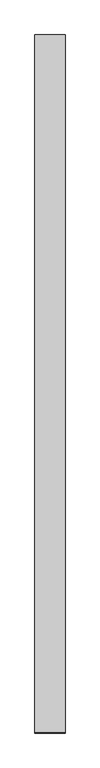
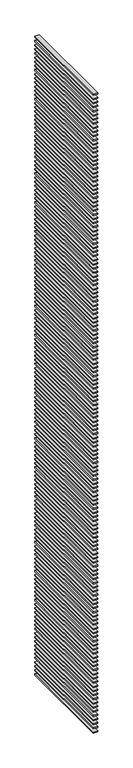
"""IFC4 building model written with IfcOpenShell, lengths in millimetres: proxy geometry."""

from ifc_helpers import new_model, si_unit, frame, origin, place, context, project, spatial, polyline, outline, extrude, source, transform, mapped, element, save


def generic_models_4e550ed5(model_context):
    return source(origin(), model_context, "Body", "SweptSolid", [
        extrude(outline(polyline([(-100.0, -4625.0), (-300.0, -4625.0), (-300.0, 0.0), (-100.0, 0.0), (-100.0, -4625.0)])), frame((0.0, 0.0, 30975.0), z_axis=(0.0, 0.0, 1.0), x_axis=(1.0, 0.0, 0.0)), (0.0, 0.0, 1.0), 50.0),
        extrude(outline(polyline([(-100.0, -4625.0), (-300.0, -4625.0), (-300.0, 0.0), (-100.0, 0.0), (-100.0, -4625.0)])), frame((0.0, 0.0, 30775.0), z_axis=(0.0, 0.0, 1.0), x_axis=(1.0, 0.0, 0.0)), (0.0, 0.0, 1.0), 50.0),
        extrude(outline(polyline([(-100.0, -4625.0), (-300.0, -4625.0), (-300.0, 0.0), (-100.0, 0.0), (-100.0, -4625.0)])), frame((0.0, 0.0, 30575.0), z_axis=(0.0, 0.0, 1.0), x_axis=(1.0, 0.0, 0.0)), (0.0, 0.0, 1.0), 50.0),
        extrude(outline(polyline([(-100.0, -4625.0), (-300.0, -4625.0), (-300.0, 0.0), (-100.0, 0.0), (-100.0, -4625.0)])), frame((0.0, 0.0, 30375.0), z_axis=(0.0, 0.0, 1.0), x_axis=(1.0, 0.0, 0.0)), (0.0, 0.0, 1.0), 50.0),
        extrude(outline(polyline([(-100.0, -4625.0), (-300.0, -4625.0), (-300.0, 0.0), (-100.0, 0.0), (-100.0, -4625.0)])), frame((0.0, 0.0, 30175.0), z_axis=(0.0, 0.0, 1.0), x_axis=(1.0, 0.0, 0.0)), (0.0, 0.0, 1.0), 50.0),
        extrude(outline(polyline([(-100.0, -4625.0), (-300.0, -4625.0), (-300.0, 0.0), (-100.0, 0.0), (-100.0, -4625.0)])), frame((0.0, 0.0, 29975.0), z_axis=(0.0, 0.0, 1.0), x_axis=(1.0, 0.0, 0.0)), (0.0, 0.0, 1.0), 50.0),
        extrude(outline(polyline([(-100.0, -4625.0), (-300.0, -4625.0), (-300.0, 0.0), (-100.0, 0.0), (-100.0, -4625.0)])), frame((0.0, 0.0, 29775.0), z_axis=(0.0, 0.0, 1.0), x_axis=(1.0, 0.0, 0.0)), (0.0, 0.0, 1.0), 50.0),
        extrude(outline(polyline([(-100.0, -4625.0), (-300.0, -4625.0), (-300.0, 0.0), (-100.0, 0.0), (-100.0, -4625.0)])), frame((0.0, 0.0, 29575.0), z_axis=(0.0, 0.0, 1.0), x_axis=(1.0, 0.0, 0.0)), (0.0, 0.0, 1.0), 50.0),
        extrude(outline(polyline([(-100.0, -4625.0), (-300.0, -4625.0), (-300.0, 0.0), (-100.0, 0.0), (-100.0, -4625.0)])), frame((0.0, 0.0, 29375.0), z_axis=(0.0, 0.0, 1.0), x_axis=(1.0, 0.0, 0.0)), (0.0, 0.0, 1.0), 50.0),
        extrude(outline(polyline([(-100.0, -4625.0), (-300.0, -4625.0), (-300.0, 0.0), (-100.0, 0.0), (-100.0, -4625.0)])), frame((0.0, 0.0, 29175.0), z_axis=(0.0, 0.0, 1.0), x_axis=(1.0, 0.0, 0.0)), (0.0, 0.0, 1.0), 50.0),
        extrude(outline(polyline([(-100.0, -4625.0), (-300.0, -4625.0), (-300.0, 0.0), (-100.0, 0.0), (-100.0, -4625.0)])), frame((0.0, 0.0, 28975.0), z_axis=(0.0, 0.0, 1.0), x_axis=(1.0, 0.0, 0.0)), (0.0, 0.0, 1.0), 50.0),
        extrude(outline(polyline([(-100.0, -4625.0), (-300.0, -4625.0), (-300.0, 0.0), (-100.0, 0.0), (-100.0, -4625.0)])), frame((0.0, 0.0, 28775.0), z_axis=(0.0, 0.0, 1.0), x_axis=(1.0, 0.0, 0.0)), (0.0, 0.0, 1.0), 50.0),
        extrude(outline(polyline([(-100.0, -4625.0), (-300.0, -4625.0), (-300.0, 0.0), (-100.0, 0.0), (-100.0, -4625.0)])), frame((0.0, 0.0, 28575.0), z_axis=(0.0, 0.0, 1.0), x_axis=(1.0, 0.0, 0.0)), (0.0, 0.0, 1.0), 50.0),
        extrude(outline(polyline([(-100.0, -4625.0), (-300.0, -4625.0), (-300.0, 0.0), (-100.0, 0.0), (-100.0, -4625.0)])), frame((0.0, 0.0, 28375.0), z_axis=(0.0, 0.0, 1.0), x_axis=(1.0, 0.0, 0.0)), (0.0, 0.0, 1.0), 50.0),
        extrude(outline(polyline([(-100.0, -4625.0), (-300.0, -4625.0), (-300.0, 0.0), (-100.0, 0.0), (-100.0, -4625.0)])), frame((0.0, 0.0, 28175.0), z_axis=(0.0, 0.0, 1.0), x_axis=(1.0, 0.0, 0.0)), (0.0, 0.0, 1.0), 50.0),
        extrude(outline(polyline([(-100.0, -4625.0), (-300.0, -4625.0), (-300.0, 0.0), (-100.0, 0.0), (-100.0, -4625.0)])), frame((0.0, 0.0, 27975.0), z_axis=(0.0, 0.0, 1.0), x_axis=(1.0, 0.0, 0.0)), (0.0, 0.0, 1.0), 50.0),
        extrude(outline(polyline([(-100.0, -4625.0), (-300.0, -4625.0), (-300.0, 0.0), (-100.0, 0.0), (-100.0, -4625.0)])), frame((0.0, 0.0, 27775.0), z_axis=(0.0, 0.0, 1.0), x_axis=(1.0, 0.0, 0.0)), (0.0, 0.0, 1.0), 50.0),
        extrude(outline(polyline([(-100.0, -4625.0), (-300.0, -4625.0), (-300.0, 0.0), (-100.0, 0.0), (-100.0, -4625.0)])), frame((0.0, 0.0, 27575.0), z_axis=(0.0, 0.0, 1.0), x_axis=(1.0, 0.0, 0.0)), (0.0, 0.0, 1.0), 50.0),
        extrude(outline(polyline([(-100.0, -4625.0), (-300.0, -4625.0), (-300.0, 0.0), (-100.0, 0.0), (-100.0, -4625.0)])), frame((0.0, 0.0, 27375.0), z_axis=(0.0, 0.0, 1.0), x_axis=(1.0, 0.0, 0.0)), (0.0, 0.0, 1.0), 50.0),
        extrude(outline(polyline([(-100.0, -4625.0), (-300.0, -4625.0), (-300.0, 0.0), (-100.0, 0.0), (-100.0, -4625.0)])), frame((0.0, 0.0, 27175.0), z_axis=(0.0, 0.0, 1.0), x_axis=(1.0, 0.0, 0.0)), (0.0, 0.0, 1.0), 50.0),
        extrude(outline(polyline([(-100.0, -4625.0), (-300.0, -4625.0), (-300.0, 0.0), (-100.0, 0.0), (-100.0, -4625.0)])), frame((0.0, 0.0, 26975.0), z_axis=(0.0, 0.0, 1.0), x_axis=(1.0, 0.0, 0.0)), (0.0, 0.0, 1.0), 50.0),
        extrude(outline(polyline([(-100.0, -4625.0), (-300.0, -4625.0), (-300.0, 0.0), (-100.0, 0.0), (-100.0, -4625.0)])), frame((0.0, 0.0, 26775.0), z_axis=(0.0, 0.0, 1.0), x_axis=(1.0, 0.0, 0.0)), (0.0, 0.0, 1.0), 50.0),
        extrude(outline(polyline([(-100.0, -4625.0), (-300.0, -4625.0), (-300.0, 0.0), (-100.0, 0.0), (-100.0, -4625.0)])), frame((0.0, 0.0, 26575.0), z_axis=(0.0, 0.0, 1.0), x_axis=(1.0, 0.0, 0.0)), (0.0, 0.0, 1.0), 50.0),
        extrude(outline(polyline([(-100.0, -4625.0), (-300.0, -4625.0), (-300.0, 0.0), (-100.0, 0.0), (-100.0, -4625.0)])), frame((0.0, 0.0, 26375.0), z_axis=(0.0, 0.0, 1.0), x_axis=(1.0, 0.0, 0.0)), (0.0, 0.0, 1.0), 50.0),
        extrude(outline(polyline([(-100.0, -4625.0), (-300.0, -4625.0), (-300.0, 0.0), (-100.0, 0.0), (-100.0, -4625.0)])), frame((0.0, 0.0, 26175.0), z_axis=(0.0, 0.0, 1.0), x_axis=(1.0, 0.0, 0.0)), (0.0, 0.0, 1.0), 50.0),
        extrude(outline(polyline([(-100.0, -4625.0), (-300.0, -4625.0), (-300.0, 0.0), (-100.0, 0.0), (-100.0, -4625.0)])), frame((0.0, 0.0, 25975.0), z_axis=(0.0, 0.0, 1.0), x_axis=(1.0, 0.0, 0.0)), (0.0, 0.0, 1.0), 50.0),
        extrude(outline(polyline([(-100.0, -4625.0), (-300.0, -4625.0), (-300.0, 0.0), (-100.0, 0.0), (-100.0, -4625.0)])), frame((0.0, 0.0, 25775.0), z_axis=(0.0, 0.0, 1.0), x_axis=(1.0, 0.0, 0.0)), (0.0, 0.0, 1.0), 50.0),
        extrude(outline(polyline([(-100.0, -4625.0), (-300.0, -4625.0), (-300.0, 0.0), (-100.0, 0.0), (-100.0, -4625.0)])), frame((0.0, 0.0, 25575.0), z_axis=(0.0, 0.0, 1.0), x_axis=(1.0, 0.0, 0.0)), (0.0, 0.0, 1.0), 50.0),
        extrude(outline(polyline([(-100.0, -4625.0), (-300.0, -4625.0), (-300.0, 0.0), (-100.0, 0.0), (-100.0, -4625.0)])), frame((0.0, 0.0, 25375.0), z_axis=(0.0, 0.0, 1.0), x_axis=(1.0, 0.0, 0.0)), (0.0, 0.0, 1.0), 50.0),
        extrude(outline(polyline([(-100.0, -4625.0), (-300.0, -4625.0), (-300.0, 0.0), (-100.0, 0.0), (-100.0, -4625.0)])), frame((0.0, 0.0, 25175.0), z_axis=(0.0, 0.0, 1.0), x_axis=(1.0, 0.0, 0.0)), (0.0, 0.0, 1.0), 50.0),
        extrude(outline(polyline([(-100.0, -4625.0), (-300.0, -4625.0), (-300.0, 0.0), (-100.0, 0.0), (-100.0, -4625.0)])), frame((0.0, 0.0, 24975.0), z_axis=(0.0, 0.0, 1.0), x_axis=(1.0, 0.0, 0.0)), (0.0, 0.0, 1.0), 50.0),
        extrude(outline(polyline([(-100.0, -4625.0), (-300.0, -4625.0), (-300.0, 0.0), (-100.0, 0.0), (-100.0, -4625.0)])), frame((0.0, 0.0, 24775.0), z_axis=(0.0, 0.0, 1.0), x_axis=(1.0, 0.0, 0.0)), (0.0, 0.0, 1.0), 50.0),
        extrude(outline(polyline([(-100.0, -4625.0), (-300.0, -4625.0), (-300.0, 0.0), (-100.0, 0.0), (-100.0, -4625.0)])), frame((0.0, 0.0, 24575.0), z_axis=(0.0, 0.0, 1.0), x_axis=(1.0, 0.0, 0.0)), (0.0, 0.0, 1.0), 50.0),
        extrude(outline(polyline([(-100.0, -4625.0), (-300.0, -4625.0), (-300.0, 0.0), (-100.0, 0.0), (-100.0, -4625.0)])), frame((0.0, 0.0, 24375.0), z_axis=(0.0, 0.0, 1.0), x_axis=(1.0, 0.0, 0.0)), (0.0, 0.0, 1.0), 50.0),
        extrude(outline(polyline([(-100.0, -4625.0), (-300.0, -4625.0), (-300.0, 0.0), (-100.0, 0.0), (-100.0, -4625.0)])), frame((0.0, 0.0, 24175.0), z_axis=(0.0, 0.0, 1.0), x_axis=(1.0, 0.0, 0.0)), (0.0, 0.0, 1.0), 50.0),
        extrude(outline(polyline([(-100.0, -4625.0), (-300.0, -4625.0), (-300.0, 0.0), (-100.0, 0.0), (-100.0, -4625.0)])), frame((0.0, 0.0, 23975.0), z_axis=(0.0, 0.0, 1.0), x_axis=(1.0, 0.0, 0.0)), (0.0, 0.0, 1.0), 50.0),
        extrude(outline(polyline([(-100.0, -4625.0), (-300.0, -4625.0), (-300.0, 0.0), (-100.0, 0.0), (-100.0, -4625.0)])), frame((0.0, 0.0, 23775.0), z_axis=(0.0, 0.0, 1.0), x_axis=(1.0, 0.0, 0.0)), (0.0, 0.0, 1.0), 50.0),
        extrude(outline(polyline([(-100.0, -4625.0), (-300.0, -4625.0), (-300.0, 0.0), (-100.0, 0.0), (-100.0, -4625.0)])), frame((0.0, 0.0, 23575.0), z_axis=(0.0, 0.0, 1.0), x_axis=(1.0, 0.0, 0.0)), (0.0, 0.0, 1.0), 50.0),
        extrude(outline(polyline([(-100.0, -4625.0), (-300.0, -4625.0), (-300.0, 0.0), (-100.0, 0.0), (-100.0, -4625.0)])), frame((0.0, 0.0, 23375.0), z_axis=(0.0, 0.0, 1.0), x_axis=(1.0, 0.0, 0.0)), (0.0, 0.0, 1.0), 50.0),
        extrude(outline(polyline([(-100.0, -4625.0), (-300.0, -4625.0), (-300.0, 0.0), (-100.0, 0.0), (-100.0, -4625.0)])), frame((0.0, 0.0, 23175.0), z_axis=(0.0, 0.0, 1.0), x_axis=(1.0, 0.0, 0.0)), (0.0, 0.0, 1.0), 50.0),
        extrude(outline(polyline([(-100.0, -4625.0), (-300.0, -4625.0), (-300.0, 0.0), (-100.0, 0.0), (-100.0, -4625.0)])), frame((0.0, 0.0, 22975.0), z_axis=(0.0, 0.0, 1.0), x_axis=(1.0, 0.0, 0.0)), (0.0, 0.0, 1.0), 50.0),
        extrude(outline(polyline([(-100.0, -4625.0), (-300.0, -4625.0), (-300.0, 0.0), (-100.0, 0.0), (-100.0, -4625.0)])), frame((0.0, 0.0, 22775.0), z_axis=(0.0, 0.0, 1.0), x_axis=(1.0, 0.0, 0.0)), (0.0, 0.0, 1.0), 50.0),
        extrude(outline(polyline([(-100.0, -4625.0), (-300.0, -4625.0), (-300.0, 0.0), (-100.0, 0.0), (-100.0, -4625.0)])), frame((0.0, 0.0, 22575.0), z_axis=(0.0, 0.0, 1.0), x_axis=(1.0, 0.0, 0.0)), (0.0, 0.0, 1.0), 50.0),
        extrude(outline(polyline([(-100.0, -4625.0), (-300.0, -4625.0), (-300.0, 0.0), (-100.0, 0.0), (-100.0, -4625.0)])), frame((0.0, 0.0, 22375.0), z_axis=(0.0, 0.0, 1.0), x_axis=(1.0, 0.0, 0.0)), (0.0, 0.0, 1.0), 50.0),
        extrude(outline(polyline([(-100.0, -4625.0), (-300.0, -4625.0), (-300.0, 0.0), (-100.0, 0.0), (-100.0, -4625.0)])), frame((0.0, 0.0, 22175.0), z_axis=(0.0, 0.0, 1.0), x_axis=(1.0, 0.0, 0.0)), (0.0, 0.0, 1.0), 50.0),
        extrude(outline(polyline([(-100.0, -4625.0), (-300.0, -4625.0), (-300.0, 0.0), (-100.0, 0.0), (-100.0, -4625.0)])), frame((0.0, 0.0, 21975.0), z_axis=(0.0, 0.0, 1.0), x_axis=(1.0, 0.0, 0.0)), (0.0, 0.0, 1.0), 50.0),
        extrude(outline(polyline([(-100.0, -4625.0), (-300.0, -4625.0), (-300.0, 0.0), (-100.0, 0.0), (-100.0, -4625.0)])), frame((0.0, 0.0, 21775.0), z_axis=(0.0, 0.0, 1.0), x_axis=(1.0, 0.0, 0.0)), (0.0, 0.0, 1.0), 50.0),
        extrude(outline(polyline([(-100.0, -4625.0), (-300.0, -4625.0), (-300.0, 0.0), (-100.0, 0.0), (-100.0, -4625.0)])), frame((0.0, 0.0, 21575.0), z_axis=(0.0, 0.0, 1.0), x_axis=(1.0, 0.0, 0.0)), (0.0, 0.0, 1.0), 50.0),
        extrude(outline(polyline([(-100.0, -4625.0), (-300.0, -4625.0), (-300.0, 0.0), (-100.0, 0.0), (-100.0, -4625.0)])), frame((0.0, 0.0, 21375.0), z_axis=(0.0, 0.0, 1.0), x_axis=(1.0, 0.0, 0.0)), (0.0, 0.0, 1.0), 50.0),
        extrude(outline(polyline([(-100.0, -4625.0), (-300.0, -4625.0), (-300.0, 0.0), (-100.0, 0.0), (-100.0, -4625.0)])), frame((0.0, 0.0, 21175.0), z_axis=(0.0, 0.0, 1.0), x_axis=(1.0, 0.0, 0.0)), (0.0, 0.0, 1.0), 50.0),
        extrude(outline(polyline([(-100.0, -4625.0), (-300.0, -4625.0), (-300.0, 0.0), (-100.0, 0.0), (-100.0, -4625.0)])), frame((0.0, 0.0, 20975.0), z_axis=(0.0, 0.0, 1.0), x_axis=(1.0, 0.0, 0.0)), (0.0, 0.0, 1.0), 50.0),
        extrude(outline(polyline([(-100.0, -4625.0), (-300.0, -4625.0), (-300.0, 0.0), (-100.0, 0.0), (-100.0, -4625.0)])), frame((0.0, 0.0, 20775.0), z_axis=(0.0, 0.0, 1.0), x_axis=(1.0, 0.0, 0.0)), (0.0, 0.0, 1.0), 50.0),
        extrude(outline(polyline([(-100.0, -4625.0), (-300.0, -4625.0), (-300.0, 0.0), (-100.0, 0.0), (-100.0, -4625.0)])), frame((0.0, 0.0, 20575.0), z_axis=(0.0, 0.0, 1.0), x_axis=(1.0, 0.0, 0.0)), (0.0, 0.0, 1.0), 50.0),
        extrude(outline(polyline([(-100.0, -4625.0), (-300.0, -4625.0), (-300.0, 0.0), (-100.0, 0.0), (-100.0, -4625.0)])), frame((0.0, 0.0, 20375.0), z_axis=(0.0, 0.0, 1.0), x_axis=(1.0, 0.0, 0.0)), (0.0, 0.0, 1.0), 50.0),
        extrude(outline(polyline([(-100.0, -4625.0), (-300.0, -4625.0), (-300.0, 0.0), (-100.0, 0.0), (-100.0, -4625.0)])), frame((0.0, 0.0, 20175.0), z_axis=(0.0, 0.0, 1.0), x_axis=(1.0, 0.0, 0.0)), (0.0, 0.0, 1.0), 50.0),
        extrude(outline(polyline([(-100.0, -4625.0), (-300.0, -4625.0), (-300.0, 0.0), (-100.0, 0.0), (-100.0, -4625.0)])), frame((0.0, 0.0, 19975.0), z_axis=(0.0, 0.0, 1.0), x_axis=(1.0, 0.0, 0.0)), (0.0, 0.0, 1.0), 50.0),
        extrude(outline(polyline([(-100.0, -4625.0), (-300.0, -4625.0), (-300.0, 0.0), (-100.0, 0.0), (-100.0, -4625.0)])), frame((0.0, 0.0, 19775.0), z_axis=(0.0, 0.0, 1.0), x_axis=(1.0, 0.0, 0.0)), (0.0, 0.0, 1.0), 50.0),
        extrude(outline(polyline([(-100.0, -4625.0), (-300.0, -4625.0), (-300.0, 0.0), (-100.0, 0.0), (-100.0, -4625.0)])), frame((0.0, 0.0, 19575.0), z_axis=(0.0, 0.0, 1.0), x_axis=(1.0, 0.0, 0.0)), (0.0, 0.0, 1.0), 50.0),
        extrude(outline(polyline([(-100.0, -4625.0), (-300.0, -4625.0), (-300.0, 0.0), (-100.0, 0.0), (-100.0, -4625.0)])), frame((0.0, 0.0, 19375.0), z_axis=(0.0, 0.0, 1.0), x_axis=(1.0, 0.0, 0.0)), (0.0, 0.0, 1.0), 50.0),
        extrude(outline(polyline([(-100.0, -4625.0), (-300.0, -4625.0), (-300.0, 0.0), (-100.0, 0.0), (-100.0, -4625.0)])), frame((0.0, 0.0, 19175.0), z_axis=(0.0, 0.0, 1.0), x_axis=(1.0, 0.0, 0.0)), (0.0, 0.0, 1.0), 50.0),
        extrude(outline(polyline([(-100.0, -4625.0), (-300.0, -4625.0), (-300.0, 0.0), (-100.0, 0.0), (-100.0, -4625.0)])), frame((0.0, 0.0, 18975.0), z_axis=(0.0, 0.0, 1.0), x_axis=(1.0, 0.0, 0.0)), (0.0, 0.0, 1.0), 50.0),
        extrude(outline(polyline([(-100.0, -4625.0), (-300.0, -4625.0), (-300.0, 0.0), (-100.0, 0.0), (-100.0, -4625.0)])), frame((0.0, 0.0, 18775.0), z_axis=(0.0, 0.0, 1.0), x_axis=(1.0, 0.0, 0.0)), (0.0, 0.0, 1.0), 50.0),
        extrude(outline(polyline([(-100.0, -4625.0), (-300.0, -4625.0), (-300.0, 0.0), (-100.0, 0.0), (-100.0, -4625.0)])), frame((0.0, 0.0, 18575.0), z_axis=(0.0, 0.0, 1.0), x_axis=(1.0, 0.0, 0.0)), (0.0, 0.0, 1.0), 50.0),
        extrude(outline(polyline([(-100.0, -4625.0), (-300.0, -4625.0), (-300.0, 0.0), (-100.0, 0.0), (-100.0, -4625.0)])), frame((0.0, 0.0, 18375.0), z_axis=(0.0, 0.0, 1.0), x_axis=(1.0, 0.0, 0.0)), (0.0, 0.0, 1.0), 50.0),
        extrude(outline(polyline([(-100.0, -4625.0), (-300.0, -4625.0), (-300.0, 0.0), (-100.0, 0.0), (-100.0, -4625.0)])), frame((0.0, 0.0, 18175.0), z_axis=(0.0, 0.0, 1.0), x_axis=(1.0, 0.0, 0.0)), (0.0, 0.0, 1.0), 50.0),
        extrude(outline(polyline([(-100.0, -4625.0), (-300.0, -4625.0), (-300.0, 0.0), (-100.0, 0.0), (-100.0, -4625.0)])), frame((0.0, 0.0, 17975.0), z_axis=(0.0, 0.0, 1.0), x_axis=(1.0, 0.0, 0.0)), (0.0, 0.0, 1.0), 50.0),
        extrude(outline(polyline([(-100.0, -4625.0), (-300.0, -4625.0), (-300.0, 0.0), (-100.0, 0.0), (-100.0, -4625.0)])), frame((0.0, 0.0, 17775.0), z_axis=(0.0, 0.0, 1.0), x_axis=(1.0, 0.0, 0.0)), (0.0, 0.0, 1.0), 50.0),
        extrude(outline(polyline([(-100.0, -4625.0), (-300.0, -4625.0), (-300.0, 0.0), (-100.0, 0.0), (-100.0, -4625.0)])), frame((0.0, 0.0, 17575.0), z_axis=(0.0, 0.0, 1.0), x_axis=(1.0, 0.0, 0.0)), (0.0, 0.0, 1.0), 50.0),
        extrude(outline(polyline([(-100.0, -4625.0), (-300.0, -4625.0), (-300.0, 0.0), (-100.0, 0.0), (-100.0, -4625.0)])), frame((0.0, 0.0, 17375.0), z_axis=(0.0, 0.0, 1.0), x_axis=(1.0, 0.0, 0.0)), (0.0, 0.0, 1.0), 50.0),
        extrude(outline(polyline([(-100.0, -4625.0), (-300.0, -4625.0), (-300.0, 0.0), (-100.0, 0.0), (-100.0, -4625.0)])), frame((0.0, 0.0, 17175.0), z_axis=(0.0, 0.0, 1.0), x_axis=(1.0, 0.0, 0.0)), (0.0, 0.0, 1.0), 50.0),
        extrude(outline(polyline([(-100.0, -4625.0), (-300.0, -4625.0), (-300.0, 0.0), (-100.0, 0.0), (-100.0, -4625.0)])), frame((0.0, 0.0, 16975.0), z_axis=(0.0, 0.0, 1.0), x_axis=(1.0, 0.0, 0.0)), (0.0, 0.0, 1.0), 50.0),
        extrude(outline(polyline([(-100.0, -4625.0), (-300.0, -4625.0), (-300.0, 0.0), (-100.0, 0.0), (-100.0, -4625.0)])), frame((0.0, 0.0, 16775.0), z_axis=(0.0, 0.0, 1.0), x_axis=(1.0, 0.0, 0.0)), (0.0, 0.0, 1.0), 50.0),
        extrude(outline(polyline([(-100.0, -4625.0), (-300.0, -4625.0), (-300.0, 0.0), (-100.0, 0.0), (-100.0, -4625.0)])), frame((0.0, 0.0, 16575.0), z_axis=(0.0, 0.0, 1.0), x_axis=(1.0, 0.0, 0.0)), (0.0, 0.0, 1.0), 50.0),
        extrude(outline(polyline([(-100.0, -4625.0), (-300.0, -4625.0), (-300.0, 0.0), (-100.0, 0.0), (-100.0, -4625.0)])), frame((0.0, 0.0, 16375.0), z_axis=(0.0, 0.0, 1.0), x_axis=(1.0, 0.0, 0.0)), (0.0, 0.0, 1.0), 50.0),
        extrude(outline(polyline([(-100.0, -4625.0), (-300.0, -4625.0), (-300.0, 0.0), (-100.0, 0.0), (-100.0, -4625.0)])), frame((0.0, 0.0, 16175.0), z_axis=(0.0, 0.0, 1.0), x_axis=(1.0, 0.0, 0.0)), (0.0, 0.0, 1.0), 50.0),
        extrude(outline(polyline([(-100.0, -4625.0), (-300.0, -4625.0), (-300.0, 0.0), (-100.0, 0.0), (-100.0, -4625.0)])), frame((0.0, 0.0, 15975.0), z_axis=(0.0, 0.0, 1.0), x_axis=(1.0, 0.0, 0.0)), (0.0, 0.0, 1.0), 50.0),
        extrude(outline(polyline([(-100.0, -4625.0), (-300.0, -4625.0), (-300.0, 0.0), (-100.0, 0.0), (-100.0, -4625.0)])), frame((0.0, 0.0, 15775.0), z_axis=(0.0, 0.0, 1.0), x_axis=(1.0, 0.0, 0.0)), (0.0, 0.0, 1.0), 50.0),
        extrude(outline(polyline([(-100.0, -4625.0), (-300.0, -4625.0), (-300.0, 0.0), (-100.0, 0.0), (-100.0, -4625.0)])), frame((0.0, 0.0, 15575.0), z_axis=(0.0, 0.0, 1.0), x_axis=(1.0, 0.0, 0.0)), (0.0, 0.0, 1.0), 50.0),
        extrude(outline(polyline([(-100.0, -4625.0), (-300.0, -4625.0), (-300.0, 0.0), (-100.0, 0.0), (-100.0, -4625.0)])), frame((0.0, 0.0, 15375.0), z_axis=(0.0, 0.0, 1.0), x_axis=(1.0, 0.0, 0.0)), (0.0, 0.0, 1.0), 50.0),
        extrude(outline(polyline([(-100.0, -4625.0), (-300.0, -4625.0), (-300.0, 0.0), (-100.0, 0.0), (-100.0, -4625.0)])), frame((0.0, 0.0, 15175.0), z_axis=(0.0, 0.0, 1.0), x_axis=(1.0, 0.0, 0.0)), (0.0, 0.0, 1.0), 50.0),
        extrude(outline(polyline([(-100.0, -4625.0), (-300.0, -4625.0), (-300.0, 0.0), (-100.0, 0.0), (-100.0, -4625.0)])), frame((0.0, 0.0, 14975.0), z_axis=(0.0, 0.0, 1.0), x_axis=(1.0, 0.0, 0.0)), (0.0, 0.0, 1.0), 50.0),
        extrude(outline(polyline([(-100.0, -4625.0), (-300.0, -4625.0), (-300.0, 0.0), (-100.0, 0.0), (-100.0, -4625.0)])), frame((0.0, 0.0, 14775.0), z_axis=(0.0, 0.0, 1.0), x_axis=(1.0, 0.0, 0.0)), (0.0, 0.0, 1.0), 50.0),
        extrude(outline(polyline([(-100.0, -4625.0), (-300.0, -4625.0), (-300.0, 0.0), (-100.0, 0.0), (-100.0, -4625.0)])), frame((0.0, 0.0, 14575.0), z_axis=(0.0, 0.0, 1.0), x_axis=(1.0, 0.0, 0.0)), (0.0, 0.0, 1.0), 50.0),
        extrude(outline(polyline([(-100.0, -4625.0), (-300.0, -4625.0), (-300.0, 0.0), (-100.0, 0.0), (-100.0, -4625.0)])), frame((0.0, 0.0, 14375.0), z_axis=(0.0, 0.0, 1.0), x_axis=(1.0, 0.0, 0.0)), (0.0, 0.0, 1.0), 50.0),
        extrude(outline(polyline([(-100.0, -4625.0), (-300.0, -4625.0), (-300.0, 0.0), (-100.0, 0.0), (-100.0, -4625.0)])), frame((0.0, 0.0, 14175.0), z_axis=(0.0, 0.0, 1.0), x_axis=(1.0, 0.0, 0.0)), (0.0, 0.0, 1.0), 50.0),
        extrude(outline(polyline([(-100.0, -4625.0), (-300.0, -4625.0), (-300.0, 0.0), (-100.0, 0.0), (-100.0, -4625.0)])), frame((0.0, 0.0, 13975.0), z_axis=(0.0, 0.0, 1.0), x_axis=(1.0, 0.0, 0.0)), (0.0, 0.0, 1.0), 50.0),
        extrude(outline(polyline([(-100.0, -4625.0), (-300.0, -4625.0), (-300.0, 0.0), (-100.0, 0.0), (-100.0, -4625.0)])), frame((0.0, 0.0, 13775.0), z_axis=(0.0, 0.0, 1.0), x_axis=(1.0, 0.0, 0.0)), (0.0, 0.0, 1.0), 50.0),
        extrude(outline(polyline([(-100.0, -4625.0), (-300.0, -4625.0), (-300.0, 0.0), (-100.0, 0.0), (-100.0, -4625.0)])), frame((0.0, 0.0, 13575.0), z_axis=(0.0, 0.0, 1.0), x_axis=(1.0, 0.0, 0.0)), (0.0, 0.0, 1.0), 50.0),
        extrude(outline(polyline([(-100.0, -4625.0), (-300.0, -4625.0), (-300.0, 0.0), (-100.0, 0.0), (-100.0, -4625.0)])), frame((0.0, 0.0, 13375.0), z_axis=(0.0, 0.0, 1.0), x_axis=(1.0, 0.0, 0.0)), (0.0, 0.0, 1.0), 50.0),
        extrude(outline(polyline([(-100.0, -4625.0), (-300.0, -4625.0), (-300.0, 0.0), (-100.0, 0.0), (-100.0, -4625.0)])), frame((0.0, 0.0, 13175.0), z_axis=(0.0, 0.0, 1.0), x_axis=(1.0, 0.0, 0.0)), (0.0, 0.0, 1.0), 50.0),
        extrude(outline(polyline([(-100.0, -4625.0), (-300.0, -4625.0), (-300.0, 0.0), (-100.0, 0.0), (-100.0, -4625.0)])), frame((0.0, 0.0, 12975.0), z_axis=(0.0, 0.0, 1.0), x_axis=(1.0, 0.0, 0.0)), (0.0, 0.0, 1.0), 50.0),
        extrude(outline(polyline([(-100.0, -4625.0), (-300.0, -4625.0), (-300.0, 0.0), (-100.0, 0.0), (-100.0, -4625.0)])), frame((0.0, 0.0, 12775.0), z_axis=(0.0, 0.0, 1.0), x_axis=(1.0, 0.0, 0.0)), (0.0, 0.0, 1.0), 50.0),
        extrude(outline(polyline([(-100.0, -4625.0), (-300.0, -4625.0), (-300.0, 0.0), (-100.0, 0.0), (-100.0, -4625.0)])), frame((0.0, 0.0, 12575.0), z_axis=(0.0, 0.0, 1.0), x_axis=(1.0, 0.0, 0.0)), (0.0, 0.0, 1.0), 50.0),
        extrude(outline(polyline([(-100.0, -4625.0), (-300.0, -4625.0), (-300.0, 0.0), (-100.0, 0.0), (-100.0, -4625.0)])), frame((0.0, 0.0, 12375.0), z_axis=(0.0, 0.0, 1.0), x_axis=(1.0, 0.0, 0.0)), (0.0, 0.0, 1.0), 50.0),
        extrude(outline(polyline([(-100.0, -4625.0), (-300.0, -4625.0), (-300.0, 0.0), (-100.0, 0.0), (-100.0, -4625.0)])), frame((0.0, 0.0, 12175.0), z_axis=(0.0, 0.0, 1.0), x_axis=(1.0, 0.0, 0.0)), (0.0, 0.0, 1.0), 50.0),
        extrude(outline(polyline([(-100.0, -4625.0), (-300.0, -4625.0), (-300.0, 0.0), (-100.0, 0.0), (-100.0, -4625.0)])), frame((0.0, 0.0, 11975.0), z_axis=(0.0, 0.0, 1.0), x_axis=(1.0, 0.0, 0.0)), (0.0, 0.0, 1.0), 50.0),
        extrude(outline(polyline([(-100.0, -4625.0), (-300.0, -4625.0), (-300.0, 0.0), (-100.0, 0.0), (-100.0, -4625.0)])), frame((0.0, 0.0, 11775.0), z_axis=(0.0, 0.0, 1.0), x_axis=(1.0, 0.0, 0.0)), (0.0, 0.0, 1.0), 50.0),
        extrude(outline(polyline([(-100.0, -4625.0), (-300.0, -4625.0), (-300.0, 0.0), (-100.0, 0.0), (-100.0, -4625.0)])), frame((0.0, 0.0, 11575.0), z_axis=(0.0, 0.0, 1.0), x_axis=(1.0, 0.0, 0.0)), (0.0, 0.0, 1.0), 50.0),
        extrude(outline(polyline([(-100.0, -4625.0), (-300.0, -4625.0), (-300.0, 0.0), (-100.0, 0.0), (-100.0, -4625.0)])), frame((0.0, 0.0, 11375.0), z_axis=(0.0, 0.0, 1.0), x_axis=(1.0, 0.0, 0.0)), (0.0, 0.0, 1.0), 50.0),
        extrude(outline(polyline([(-100.0, -4625.0), (-300.0, -4625.0), (-300.0, 0.0), (-100.0, 0.0), (-100.0, -4625.0)])), frame((0.0, 0.0, 11175.0), z_axis=(0.0, 0.0, 1.0), x_axis=(1.0, 0.0, 0.0)), (0.0, 0.0, 1.0), 50.0),
        extrude(outline(polyline([(-100.0, -4625.0), (-300.0, -4625.0), (-300.0, 0.0), (-100.0, 0.0), (-100.0, -4625.0)])), frame((0.0, 0.0, 10975.0), z_axis=(0.0, 0.0, 1.0), x_axis=(1.0, 0.0, 0.0)), (0.0, 0.0, 1.0), 50.0),
        extrude(outline(polyline([(-100.0, -4625.0), (-300.0, -4625.0), (-300.0, 0.0), (-100.0, 0.0), (-100.0, -4625.0)])), frame((0.0, 0.0, 10775.0), z_axis=(0.0, 0.0, 1.0), x_axis=(1.0, 0.0, 0.0)), (0.0, 0.0, 1.0), 50.0),
        extrude(outline(polyline([(-100.0, -4625.0), (-300.0, -4625.0), (-300.0, 0.0), (-100.0, 0.0), (-100.0, -4625.0)])), frame((0.0, 0.0, 10575.0), z_axis=(0.0, 0.0, 1.0), x_axis=(1.0, 0.0, 0.0)), (0.0, 0.0, 1.0), 50.0),
        extrude(outline(polyline([(-100.0, -4625.0), (-300.0, -4625.0), (-300.0, 0.0), (-100.0, 0.0), (-100.0, -4625.0)])), frame((0.0, 0.0, 10375.0), z_axis=(0.0, 0.0, 1.0), x_axis=(1.0, 0.0, 0.0)), (0.0, 0.0, 1.0), 50.0),
        extrude(outline(polyline([(-100.0, -4625.0), (-300.0, -4625.0), (-300.0, 0.0), (-100.0, 0.0), (-100.0, -4625.0)])), frame((0.0, 0.0, 10175.0), z_axis=(0.0, 0.0, 1.0), x_axis=(1.0, 0.0, 0.0)), (0.0, 0.0, 1.0), 50.0),
        extrude(outline(polyline([(-100.0, -4625.0), (-300.0, -4625.0), (-300.0, 0.0), (-100.0, 0.0), (-100.0, -4625.0)])), frame((0.0, 0.0, 9975.0), z_axis=(0.0, 0.0, 1.0), x_axis=(1.0, 0.0, 0.0)), (0.0, 0.0, 1.0), 50.0),
        extrude(outline(polyline([(-100.0, -4625.0), (-300.0, -4625.0), (-300.0, 0.0), (-100.0, 0.0), (-100.0, -4625.0)])), frame((0.0, 0.0, 9775.0), z_axis=(0.0, 0.0, 1.0), x_axis=(1.0, 0.0, 0.0)), (0.0, 0.0, 1.0), 50.0),
        extrude(outline(polyline([(-100.0, -4625.0), (-300.0, -4625.0), (-300.0, 0.0), (-100.0, 0.0), (-100.0, -4625.0)])), frame((0.0, 0.0, 9575.0), z_axis=(0.0, 0.0, 1.0), x_axis=(1.0, 0.0, 0.0)), (0.0, 0.0, 1.0), 50.0),
        extrude(outline(polyline([(-100.0, -4625.0), (-300.0, -4625.0), (-300.0, 0.0), (-100.0, 0.0), (-100.0, -4625.0)])), frame((0.0, 0.0, 9375.0), z_axis=(0.0, 0.0, 1.0), x_axis=(1.0, 0.0, 0.0)), (0.0, 0.0, 1.0), 50.0),
        extrude(outline(polyline([(-100.0, -4625.0), (-300.0, -4625.0), (-300.0, 0.0), (-100.0, 0.0), (-100.0, -4625.0)])), frame((0.0, 0.0, 9175.0), z_axis=(0.0, 0.0, 1.0), x_axis=(1.0, 0.0, 0.0)), (0.0, 0.0, 1.0), 50.0),
        extrude(outline(polyline([(-100.0, -4625.0), (-300.0, -4625.0), (-300.0, 0.0), (-100.0, 0.0), (-100.0, -4625.0)])), frame((0.0, 0.0, 8975.0), z_axis=(0.0, 0.0, 1.0), x_axis=(1.0, 0.0, 0.0)), (0.0, 0.0, 1.0), 50.0),
        extrude(outline(polyline([(-100.0, -4625.0), (-300.0, -4625.0), (-300.0, 0.0), (-100.0, 0.0), (-100.0, -4625.0)])), frame((0.0, 0.0, 8775.0), z_axis=(0.0, 0.0, 1.0), x_axis=(1.0, 0.0, 0.0)), (0.0, 0.0, 1.0), 50.0),
        extrude(outline(polyline([(-100.0, -4625.0), (-300.0, -4625.0), (-300.0, 0.0), (-100.0, 0.0), (-100.0, -4625.0)])), frame((0.0, 0.0, 8575.0), z_axis=(0.0, 0.0, 1.0), x_axis=(1.0, 0.0, 0.0)), (0.0, 0.0, 1.0), 50.0),
        extrude(outline(polyline([(-100.0, -4625.0), (-300.0, -4625.0), (-300.0, 0.0), (-100.0, 0.0), (-100.0, -4625.0)])), frame((0.0, 0.0, 8375.0), z_axis=(0.0, 0.0, 1.0), x_axis=(1.0, 0.0, 0.0)), (0.0, 0.0, 1.0), 50.0),
        extrude(outline(polyline([(-100.0, -4625.0), (-300.0, -4625.0), (-300.0, 0.0), (-100.0, 0.0), (-100.0, -4625.0)])), frame((0.0, 0.0, 8175.0), z_axis=(0.0, 0.0, 1.0), x_axis=(1.0, 0.0, 0.0)), (0.0, 0.0, 1.0), 50.0),
        extrude(outline(polyline([(-100.0, -4625.0), (-300.0, -4625.0), (-300.0, 0.0), (-100.0, 0.0), (-100.0, -4625.0)])), frame((0.0, 0.0, 7975.0), z_axis=(0.0, 0.0, 1.0), x_axis=(1.0, 0.0, 0.0)), (0.0, 0.0, 1.0), 50.0),
        extrude(outline(polyline([(-100.0, -4625.0), (-300.0, -4625.0), (-300.0, 0.0), (-100.0, 0.0), (-100.0, -4625.0)])), frame((0.0, 0.0, 7775.0), z_axis=(0.0, 0.0, 1.0), x_axis=(1.0, 0.0, 0.0)), (0.0, 0.0, 1.0), 50.0),
        extrude(outline(polyline([(-100.0, -4625.0), (-300.0, -4625.0), (-300.0, 0.0), (-100.0, 0.0), (-100.0, -4625.0)])), frame((0.0, 0.0, 7575.0), z_axis=(0.0, 0.0, 1.0), x_axis=(1.0, 0.0, 0.0)), (0.0, 0.0, 1.0), 50.0),
        extrude(outline(polyline([(-100.0, -4625.0), (-300.0, -4625.0), (-300.0, 0.0), (-100.0, 0.0), (-100.0, -4625.0)])), frame((0.0, 0.0, 7375.0), z_axis=(0.0, 0.0, 1.0), x_axis=(1.0, 0.0, 0.0)), (0.0, 0.0, 1.0), 50.0),
        extrude(outline(polyline([(-100.0, -4625.0), (-300.0, -4625.0), (-300.0, 0.0), (-100.0, 0.0), (-100.0, -4625.0)])), frame((0.0, 0.0, 7175.0), z_axis=(0.0, 0.0, 1.0), x_axis=(1.0, 0.0, 0.0)), (0.0, 0.0, 1.0), 50.0),
        extrude(outline(polyline([(-100.0, -4625.0), (-300.0, -4625.0), (-300.0, 0.0), (-100.0, 0.0), (-100.0, -4625.0)])), frame((0.0, 0.0, 6975.0), z_axis=(0.0, 0.0, 1.0), x_axis=(1.0, 0.0, 0.0)), (0.0, 0.0, 1.0), 50.0),
        extrude(outline(polyline([(-100.0, -4625.0), (-300.0, -4625.0), (-300.0, 0.0), (-100.0, 0.0), (-100.0, -4625.0)])), frame((0.0, 0.0, 6775.0), z_axis=(0.0, 0.0, 1.0), x_axis=(1.0, 0.0, 0.0)), (0.0, 0.0, 1.0), 50.0),
        extrude(outline(polyline([(-100.0, -4625.0), (-300.0, -4625.0), (-300.0, 0.0), (-100.0, 0.0), (-100.0, -4625.0)])), frame((0.0, 0.0, 6575.0), z_axis=(0.0, 0.0, 1.0), x_axis=(1.0, 0.0, 0.0)), (0.0, 0.0, 1.0), 50.0),
        extrude(outline(polyline([(-100.0, -4625.0), (-300.0, -4625.0), (-300.0, 0.0), (-100.0, 0.0), (-100.0, -4625.0)])), frame((0.0, 0.0, 6375.0), z_axis=(0.0, 0.0, 1.0), x_axis=(1.0, 0.0, 0.0)), (0.0, 0.0, 1.0), 50.0),
        extrude(outline(polyline([(-100.0, -4625.0), (-300.0, -4625.0), (-300.0, 0.0), (-100.0, 0.0), (-100.0, -4625.0)])), frame((0.0, 0.0, 6175.0), z_axis=(0.0, 0.0, 1.0), x_axis=(1.0, 0.0, 0.0)), (0.0, 0.0, 1.0), 50.0),
        extrude(outline(polyline([(-100.0, -4625.0), (-300.0, -4625.0), (-300.0, 0.0), (-100.0, 0.0), (-100.0, -4625.0)])), frame((0.0, 0.0, 5975.0), z_axis=(0.0, 0.0, 1.0), x_axis=(1.0, 0.0, 0.0)), (0.0, 0.0, 1.0), 50.0),
        extrude(outline(polyline([(-100.0, -4625.0), (-300.0, -4625.0), (-300.0, 0.0), (-100.0, 0.0), (-100.0, -4625.0)])), frame((0.0, 0.0, 5775.0), z_axis=(0.0, 0.0, 1.0), x_axis=(1.0, 0.0, 0.0)), (0.0, 0.0, 1.0), 50.0),
        extrude(outline(polyline([(-100.0, -4625.0), (-300.0, -4625.0), (-300.0, 0.0), (-100.0, 0.0), (-100.0, -4625.0)])), frame((0.0, 0.0, 5575.0), z_axis=(0.0, 0.0, 1.0), x_axis=(1.0, 0.0, 0.0)), (0.0, 0.0, 1.0), 50.0),
        extrude(outline(polyline([(-100.0, -4625.0), (-300.0, -4625.0), (-300.0, 0.0), (-100.0, 0.0), (-100.0, -4625.0)])), frame((0.0, 0.0, 5375.0), z_axis=(0.0, 0.0, 1.0), x_axis=(1.0, 0.0, 0.0)), (0.0, 0.0, 1.0), 50.0),
        extrude(outline(polyline([(-100.0, -4625.0), (-300.0, -4625.0), (-300.0, 0.0), (-100.0, 0.0), (-100.0, -4625.0)])), frame((0.0, 0.0, 5175.0), z_axis=(0.0, 0.0, 1.0), x_axis=(1.0, 0.0, 0.0)), (0.0, 0.0, 1.0), 50.0),
        extrude(outline(polyline([(-100.0, -4625.0), (-300.0, -4625.0), (-300.0, 0.0), (-100.0, 0.0), (-100.0, -4625.0)])), frame((0.0, 0.0, 4975.0), z_axis=(0.0, 0.0, 1.0), x_axis=(1.0, 0.0, 0.0)), (0.0, 0.0, 1.0), 50.0),
        extrude(outline(polyline([(-100.0, -4625.0), (-300.0, -4625.0), (-300.0, 0.0), (-100.0, 0.0), (-100.0, -4625.0)])), frame((0.0, 0.0, 4775.0), z_axis=(0.0, 0.0, 1.0), x_axis=(1.0, 0.0, 0.0)), (0.0, 0.0, 1.0), 50.0),
        extrude(outline(polyline([(-100.0, -4625.0), (-300.0, -4625.0), (-300.0, 0.0), (-100.0, 0.0), (-100.0, -4625.0)])), frame((0.0, 0.0, 4575.0), z_axis=(0.0, 0.0, 1.0), x_axis=(1.0, 0.0, 0.0)), (0.0, 0.0, 1.0), 50.0),
        extrude(outline(polyline([(-100.0, -4625.0), (-300.0, -4625.0), (-300.0, 0.0), (-100.0, 0.0), (-100.0, -4625.0)])), frame((0.0, 0.0, 4375.0), z_axis=(0.0, 0.0, 1.0), x_axis=(1.0, 0.0, 0.0)), (0.0, 0.0, 1.0), 50.0),
        extrude(outline(polyline([(-100.0, -4625.0), (-300.0, -4625.0), (-300.0, 0.0), (-100.0, 0.0), (-100.0, -4625.0)])), frame((0.0, 0.0, 4175.0), z_axis=(0.0, 0.0, 1.0), x_axis=(1.0, 0.0, 0.0)), (0.0, 0.0, 1.0), 50.0),
        extrude(outline(polyline([(-100.0, -4625.0), (-300.0, -4625.0), (-300.0, 0.0), (-100.0, 0.0), (-100.0, -4625.0)])), frame((0.0, 0.0, 3975.0), z_axis=(0.0, 0.0, 1.0), x_axis=(1.0, 0.0, 0.0)), (0.0, 0.0, 1.0), 50.0),
        extrude(outline(polyline([(-100.0, -4625.0), (-300.0, -4625.0), (-300.0, 0.0), (-100.0, 0.0), (-100.0, -4625.0)])), frame((0.0, 0.0, 3775.0), z_axis=(0.0, 0.0, 1.0), x_axis=(1.0, 0.0, 0.0)), (0.0, 0.0, 1.0), 50.0),
        extrude(outline(polyline([(-100.0, -4625.0), (-300.0, -4625.0), (-300.0, 0.0), (-100.0, 0.0), (-100.0, -4625.0)])), frame((0.0, 0.0, 3575.0), z_axis=(0.0, 0.0, 1.0), x_axis=(1.0, 0.0, 0.0)), (0.0, 0.0, 1.0), 50.0),
        extrude(outline(polyline([(-100.0, -4625.0), (-300.0, -4625.0), (-300.0, 0.0), (-100.0, 0.0), (-100.0, -4625.0)])), frame((0.0, 0.0, 3375.0), z_axis=(0.0, 0.0, 1.0), x_axis=(1.0, 0.0, 0.0)), (0.0, 0.0, 1.0), 50.0),
        extrude(outline(polyline([(-100.0, -4625.0), (-300.0, -4625.0), (-300.0, 0.0), (-100.0, 0.0), (-100.0, -4625.0)])), frame((0.0, 0.0, 3175.0), z_axis=(0.0, 0.0, 1.0), x_axis=(1.0, 0.0, 0.0)), (0.0, 0.0, 1.0), 50.0),
        extrude(outline(polyline([(-100.0, -4625.0), (-300.0, -4625.0), (-300.0, 0.0), (-100.0, 0.0), (-100.0, -4625.0)])), frame((0.0, 0.0, 2975.0), z_axis=(0.0, 0.0, 1.0), x_axis=(1.0, 0.0, 0.0)), (0.0, 0.0, 1.0), 50.0),
        extrude(outline(polyline([(-100.0, -4625.0), (-300.0, -4625.0), (-300.0, 0.0), (-100.0, 0.0), (-100.0, -4625.0)])), frame((0.0, 0.0, 2775.0), z_axis=(0.0, 0.0, 1.0), x_axis=(1.0, 0.0, 0.0)), (0.0, 0.0, 1.0), 50.0),
        extrude(outline(polyline([(-100.0, -4625.0), (-300.0, -4625.0), (-300.0, 0.0), (-100.0, 0.0), (-100.0, -4625.0)])), frame((0.0, 0.0, 2575.0), z_axis=(0.0, 0.0, 1.0), x_axis=(1.0, 0.0, 0.0)), (0.0, 0.0, 1.0), 50.0),
        extrude(outline(polyline([(-100.0, -4625.0), (-300.0, -4625.0), (-300.0, 0.0), (-100.0, 0.0), (-100.0, -4625.0)])), frame((0.0, 0.0, 2375.0), z_axis=(0.0, 0.0, 1.0), x_axis=(1.0, 0.0, 0.0)), (0.0, 0.0, 1.0), 50.0),
        extrude(outline(polyline([(-100.0, -4625.0), (-300.0, -4625.0), (-300.0, 0.0), (-100.0, 0.0), (-100.0, -4625.0)])), frame((0.0, 0.0, 2175.0), z_axis=(0.0, 0.0, 1.0), x_axis=(1.0, 0.0, 0.0)), (0.0, 0.0, 1.0), 50.0),
        extrude(outline(polyline([(-100.0, -4625.0), (-300.0, -4625.0), (-300.0, 0.0), (-100.0, 0.0), (-100.0, -4625.0)])), frame((0.0, 0.0, 1975.0), z_axis=(0.0, 0.0, 1.0), x_axis=(1.0, 0.0, 0.0)), (0.0, 0.0, 1.0), 50.0),
        extrude(outline(polyline([(-100.0, -4625.0), (-300.0, -4625.0), (-300.0, 0.0), (-100.0, 0.0), (-100.0, -4625.0)])), frame((0.0, 0.0, 1775.0), z_axis=(0.0, 0.0, 1.0), x_axis=(1.0, 0.0, 0.0)), (0.0, 0.0, 1.0), 50.0),
        extrude(outline(polyline([(-100.0, -4625.0), (-300.0, -4625.0), (-300.0, 0.0), (-100.0, 0.0), (-100.0, -4625.0)])), frame((0.0, 0.0, 1575.0), z_axis=(0.0, 0.0, 1.0), x_axis=(1.0, 0.0, 0.0)), (0.0, 0.0, 1.0), 50.0),
        extrude(outline(polyline([(-100.0, -4625.0), (-300.0, -4625.0), (-300.0, 0.0), (-100.0, 0.0), (-100.0, -4625.0)])), frame((0.0, 0.0, 1375.0), z_axis=(0.0, 0.0, 1.0), x_axis=(1.0, 0.0, 0.0)), (0.0, 0.0, 1.0), 50.0),
        extrude(outline(polyline([(-100.0, -4625.0), (-300.0, -4625.0), (-300.0, 0.0), (-100.0, 0.0), (-100.0, -4625.0)])), frame((0.0, 0.0, 1175.0), z_axis=(0.0, 0.0, 1.0), x_axis=(1.0, 0.0, 0.0)), (0.0, 0.0, 1.0), 50.0),
        extrude(outline(polyline([(-100.0, -4625.0), (-300.0, -4625.0), (-300.0, 0.0), (-100.0, 0.0), (-100.0, -4625.0)])), frame((0.0, 0.0, 975.0), z_axis=(0.0, 0.0, 1.0), x_axis=(1.0, 0.0, 0.0)), (0.0, 0.0, 1.0), 50.0),
        extrude(outline(polyline([(-100.0, -4625.0), (-300.0, -4625.0), (-300.0, 0.0), (-100.0, 0.0), (-100.0, -4625.0)])), frame((0.0, 0.0, 775.0), z_axis=(0.0, 0.0, 1.0), x_axis=(1.0, 0.0, 0.0)), (0.0, 0.0, 1.0), 50.0),
        extrude(outline(polyline([(-100.0, -4625.0), (-300.0, -4625.0), (-300.0, 0.0), (-100.0, 0.0), (-100.0, -4625.0)])), frame((0.0, 0.0, 575.0), z_axis=(0.0, 0.0, 1.0), x_axis=(1.0, 0.0, 0.0)), (0.0, 0.0, 1.0), 50.0),
        extrude(outline(polyline([(-100.0, -4625.0), (-300.0, -4625.0), (-300.0, 0.0), (-100.0, 0.0), (-100.0, -4625.0)])), frame((0.0, 0.0, 375.0), z_axis=(0.0, 0.0, 1.0), x_axis=(1.0, 0.0, 0.0)), (0.0, 0.0, 1.0), 50.0),
        extrude(outline(polyline([(-100.0, -4625.0), (-300.0, -4625.0), (-300.0, 0.0), (-100.0, 0.0), (-100.0, -4625.0)])), frame((0.0, 0.0, 175.0), z_axis=(0.0, 0.0, 1.0), x_axis=(1.0, 0.0, 0.0)), (0.0, 0.0, 1.0), 50.0),
    ])


if __name__ == "__main__":
    model = new_model("IFC4")
    model_context = context("Model", 3, world=origin())
    ifc_project = project(units=[si_unit("LENGTHUNIT", "METRE", prefix="MILLI")], contexts=[model_context])
    site = spatial("IfcSite", under=ifc_project)
    building = spatial("IfcBuilding", under=site)
    placement = place(None, origin())
    generic_models_shape = generic_models_4e550ed5(model_context)
    element("IfcBuildingElementProxy", 1, Name="Generic Models", at=placement, inside=building, context=model_context, shape_type="MappedRepresentation", body=[
        mapped(generic_models_shape, transform((0.0, 0.0, 0.0), x_axis=(1.0, 0.0, 0.0), y_axis=(0.0, 1.0, 0.0), z_axis=(0.0, 0.0, 1.0))),
    ])
    save(model, "model.ifc")
